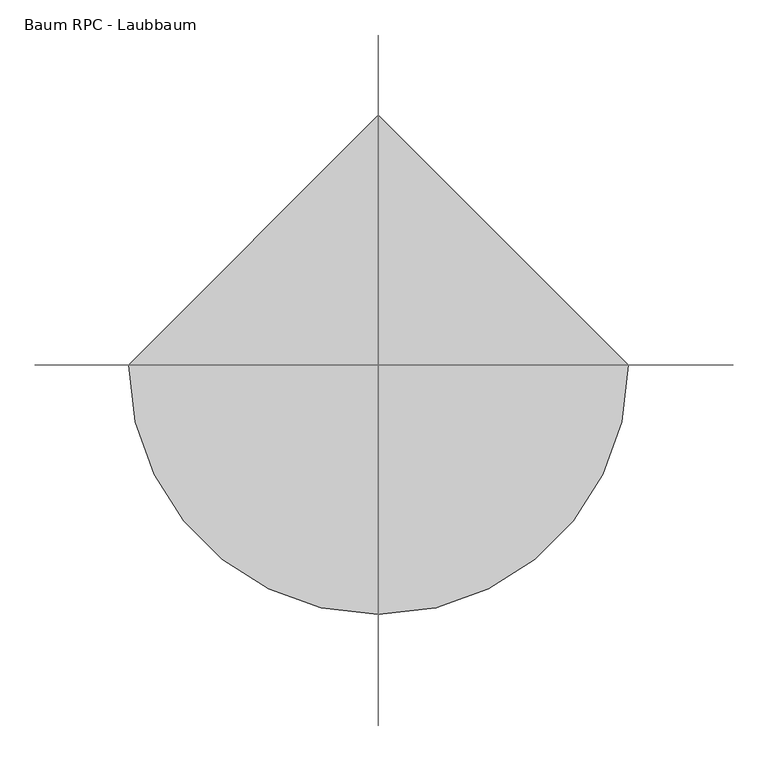
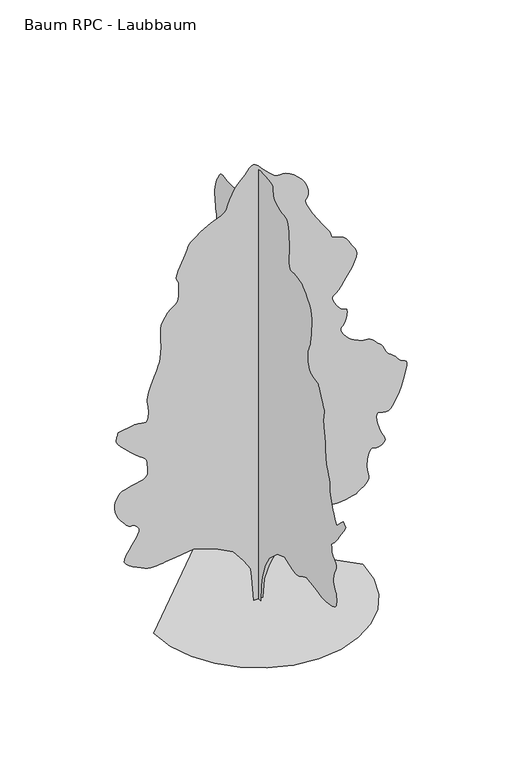
"""IFC4 building model written with IfcOpenShell, lengths in millimetres: geographic element geometry, Baum RPC - Laubbaum."""

from ifc_helpers import new_model, si_unit, origin, place, context, project, spatial, triangles, source, transform, mapped, element, save


def baum_rpc_laubbaum_e292760b(model_context):
    return source(origin(), model_context, "Body", "Tessellation", [
        triangles([(0.0009702, 113.8903775, 0.0), (0.0009702, -104.9033079, 0.0), (0.0009702, -123.1361794, 437.5878977), (0.0009702, -177.8345485, 729.312315), (0.0009702, -323.695976, 1130.4323805), (0.0009702, -506.0246724, 1440.3907139), (0.0009702, -870.6795582, 1768.5802746), (0.0009702, -1217.1031076, 1896.2099842), (0.0009702, -1399.4317314, 1823.2794067), (0.0009702, -1477.3592422, 1796.3301796), (0.0009702, -1554.013139, 1771.7701962), (0.0009702, -1628.1128311, 1751.9959671), (0.0009702, -1698.3871754, 1739.3994976), (0.0009702, -1763.5554359, 1736.3672699), (0.0009702, -1822.3466148, 1745.2987015), (0.0009702, -1873.4849178, 1768.5802746), (0.0009702, -1920.3683933, 1798.2415455), (0.0009702, -1967.2544849, 1825.0332241), (0.0009702, -2014.1379604, 1849.4331882), (0.0009702, -2061.0214359, 1871.9166996), (0.0009702, -2107.9050568, 1892.969339), (0.0009702, -2154.791003, 1913.0611359), (0.0009702, -2201.6746239, 1932.6776711), (0.0009702, -2584.5657875, 1877.9785389), (0.0009702, -2650.9541771, 1862.4566666), (0.0009702, -2717.1899597, 1847.5726913), (0.0009702, -2783.0952393, 1833.9646557), (0.0009702, -2848.5429886, 1822.2704567), (0.0009702, -2913.3300224, 1813.1255207), (0.0009702, -2977.329023, 1807.1729771), (0.0009702, -3040.387674, 1805.045636), (0.0009702, -3113.6893044, 1807.4372051), (0.0009702, -3202.6219574, 1815.2528618), (0.0009702, -3298.2393768, 1829.4456001), (0.0009702, -3391.6453033, 1850.9733559), (0.0009702, -3473.8681915, 1880.7947914), (0.0009702, -3536.0117821, 1919.8652264), (0.0009702, -3569.1298187, 1969.1428871), (0.0009702, -3581.5837097, 2022.7771133), (0.0009702, -3588.2684761, 2074.4973576), (0.0009702, -3590.1747551, 2124.6265652), (0.0009702, -3588.2684761, 2173.4773624), (0.0009702, -3583.4899887, 2221.3724041), (0.0009702, -3576.7802238, 2268.6270779), (0.0009702, -3569.1298187, 2315.5638931), (0.0009702, -3534.359848, 2355.0613369), (0.0009702, -3502.0042648, 2397.1080437), (0.0009702, -3474.4018799, 2444.2583633), (0.0009702, -3453.9923698, 2499.0617043), (0.0009702, -3443.1648331, 2564.0801193), (0.0009702, -3444.2577896, 2641.8294434), (0.0009702, -3459.736496, 2734.9307373), (0.0009702, -3486.8051926, 2827.040522), (0.0009702, -3517.6864471, 2902.5786438), (0.0009702, -3547.2968491, 2965.0274483), (0.0009702, -3570.5276985, 3017.919278), (0.0009702, -3582.270005, 3064.7620583), (0.0009702, -3577.4156502, 3109.0378441), (0.0009702, -3550.9059311, 3154.2795593), (0.0009702, -3512.094928, 3195.2003174), (0.0009702, -3474.8849899, 3227.1998177), (0.0009702, -3440.8774727, 3254.7513336), (0.0009702, -3411.622863, 3282.2775604), (0.0009702, -3388.7733856, 3314.2770607), (0.0009702, -3373.8792366, 3355.1981094), (0.0009702, -3368.5670609, 3409.5386879), (0.0009702, -3364.9071098, 3462.7866005), (0.0009702, -3357.1040977, 3500.758992), (0.0009702, -3349.9112228, 3528.1834808), (0.0009702, -3348.1575508, 3549.8638435), (0.0009702, -3356.6212784, 3570.6038567), (0.0009702, -3380.0553131, 3595.1564278), (0.0009702, -3423.2637222, 3628.3250427), (0.0009702, -3483.805957, 3682.2845398), (0.0009702, -3554.8963852, 3763.0330994), (0.0009702, -3634.7298843, 3866.097448), (0.0009702, -3721.578653, 3987.029892), (0.0009702, -3813.7140175, 4121.3568672), (0.0009702, -3909.3311462, 4264.6048096), (0.0009702, -4006.7278175, 4412.3263161), (0.0009702, -3897.3344948, 4521.744928), (0.0009702, -3751.468689, 4394.1024284), (0.0009702, -3605.6025925, 4230.012735), (0.0009702, -3582.0921089, 4261.5802849), (0.0009702, -3558.302282, 4295.0794029), (0.0009702, -3533.825869, 4332.3910789), (0.0009702, -3508.4346863, 4375.4468811), (0.0009702, -3481.7473618, 4426.1527977), (0.0009702, -3453.4586815, 4486.4412689), (0.0009702, -3423.2637222, 4558.1924126), (0.0009702, -3392.2298607, 4631.6207794), (0.0009702, -3362.4671425, 4698.9495186), (0.0009702, -3335.2458389, 4765.3631973), (0.0009702, -3311.8626732, 4835.8943573), (0.0009702, -3293.5626274, 4915.6772781), (0.0009702, -3281.6677139, 5009.820369), (0.0009702, -3277.3976257, 5123.4070404), (0.0009702, -3269.2135323, 5238.2901443), (0.0009702, -3247.6349075, 5336.8812195), (0.0009702, -3217.1347343, 5425.3060547), (0.0009702, -3182.1615784, 5509.5363785), (0.0009702, -3147.1628426, 5595.7241409), (0.0009702, -3116.6629601, 5689.8422333), (0.0009702, -3095.0843353, 5798.0408615), (0.0009702, -3081.5880661, 5895.9965103), (0.0009702, -3071.9043549, 5963.3505386), (0.0009702, -3065.4230644, 6011.8708328), (0.0009702, -3061.4834793, 6053.4014374), (0.0009702, -3059.4754623, 6099.6852402), (0.0009702, -3058.7130089, 6162.5657043), (0.0009702, -3058.6112709, 6253.8368774), (0.0009702, -3054.5702385, 6347.2939636), (0.0009702, -3044.1493629, 6416.5036926), (0.0009702, -3029.9159294, 6472.9537354), (0.0009702, -3014.3863541, 6528.1335068), (0.0009702, -3000.1532112, 6593.5300964), (0.0009702, -2989.7323357, 6680.582341), (0.0009702, -2985.6910126, 6800.8284897), (0.0009702, -2991.2572426, 6913.2716263), (0.0009702, -3003.5335281, 6981.3628189), (0.0009702, -3015.8351028, 7023.299794), (0.0009702, -3021.4013329, 7057.2564423), (0.0009702, -3013.5986115, 7101.4304901), (0.0009702, -2985.6910126, 7173.9952469), (0.0009702, -2930.9943512, 7293.1228592), (0.0009702, -2868.6219955, 7422.976561), (0.0009702, -2820.6353897, 7519.3561432), (0.0009702, -2784.5945663, 7587.8287079), (0.0009702, -2758.1107178, 7633.959613), (0.0009702, -2738.8194534, 7663.3671204), (0.0009702, -2724.3063858, 7681.5904266), (0.0009702, -2712.1827072, 7694.2483749), (0.0009702, -2638.2965195, 7706.295314), (0.0009702, -2566.4945068, 7720.4525894), (0.0009702, -2498.8204399, 7738.7270554), (0.0009702, -2437.3730278, 7763.2290482), (0.0009702, -2384.2142086, 7796.0415802), (0.0009702, -2341.425396, 7839.199411), (0.0009702, -2311.0702721, 7894.8105515), (0.0009702, -2290.8183105, 7956.2428482), (0.0009702, -2276.3080044, 8015.7938644), (0.0009702, -2266.578511, 8073.7182358), (0.0009702, -2260.6793072, 8130.3973343), (0.0009702, -2257.6495502, 8186.1107941), (0.0009702, -2256.5313046, 8241.1632477), (0.0009702, -2256.3736107, 8295.9104874), (0.0009702, -2287.4709858, 8351.2169952), (0.0009702, -2317.6099892, 8410.0058487), (0.0009702, -2345.8351559, 8475.8093903), (0.0009702, -2371.1907303, 8552.1355453), (0.0009702, -2392.7211021, 8642.5172379), (0.0009702, -2409.4655743, 8750.4106522), (0.0009702, -2420.4685364, 8879.374292), (0.0009702, -2431.6848576, 9010.8290588), (0.0009702, -2445.4530579, 9127.2882294), (0.0009702, -2455.3934395, 9233.8857925), (0.0009702, -2455.1265953, 9335.6789978), (0.0009702, -2438.2754436, 9437.7779984), (0.0009702, -2398.4602867, 9545.3156204), (0.0009702, -2329.3041882, 9663.375856), (0.0009702, -2249.3561611, 9774.6498779), (0.0009702, -2178.6572788, 9861.3457489), (0.0009702, -2113.0620094, 9927.9370331), (0.0009702, -2048.4224957, 9978.9234558), (0.0009702, -1980.5956764, 10018.7256775), (0.0009702, -1905.4310783, 10051.8434235), (0.0009702, -1818.7857857, 10082.7252594), (0.0009702, -1726.6658272, 10101.4566742), (0.0009702, -1639.9671947, 10102.9310028), (0.0009702, -1561.8796646, 10098.9917084), (0.0009702, -1495.593013, 10101.4566742), (0.0009702, -1444.2971615, 10122.0693695), (0.0009702, -1411.1794155, 10172.6744202), (0.0009702, -1399.4317314, 10265.0641296), (0.0009702, -1401.3457134, 10369.4751984), (0.0009702, -1405.8114292, 10455.052533), (0.0009702, -1410.9150421, 10532.0141144), (0.0009702, -1414.7402447, 10610.5767609), (0.0009702, -1415.3781418, 10700.9584534), (0.0009702, -1410.9150421, 10813.3260132), (0.0009702, -1399.4317314, 10957.9206757), (0.0009702, -1383.5921459, 11104.7268311), (0.0009702, -1366.4740047, 11219.3303009), (0.0009702, -1346.8067459, 11305.2390106), (0.0009702, -1323.3115231, 11365.9341431), (0.0009702, -1294.7128326, 11404.9480408), (0.0009702, -1259.7344444, 11425.7897919), (0.0009702, -1217.1031076, 11431.9661591), (0.0009702, -1156.2404709, 11437.4821014), (0.0009702, -1074.0049381, 11453.8752869), (0.0009702, -980.2913269, 11480.7666687), (0.0009702, -884.9789761, 11517.8748688), (0.0009702, -797.9626305, 11564.8440948), (0.0009702, -729.1241724, 11621.4220367), (0.0009702, -688.3534052, 11687.2249969), (0.0009702, -673.3092653, 11757.0707336), (0.0009702, -668.4724966, 11824.0433899), (0.0009702, -663.953441, 11885.2722107), (0.0009702, -649.8675276, 11937.9096954), (0.0009702, -616.3252436, 11979.0595093), (0.0009702, -553.4419453, 12005.8485718), (0.0009702, -451.3255766, 12015.4049652), (0.0009702, -328.0015635, 12019.0907867), (0.0009702, -210.419678, 12026.8937988), (0.0009702, -102.0858745, 12034.0608032), (0.0009702, -6.5099094, 12035.8141846), (0.0009702, 72.8000803, 12027.3763275), (0.0009702, 132.3357269, 12003.9417114), (0.0009702, 168.5887284, 11960.7083038), (0.0009702, 190.3829832, 11911.6031616), (0.0009702, 211.2205557, 11869.1836578), (0.0009702, 234.6091899, 11826.7629913), (0.0009702, 264.0584098, 11777.6322693), (0.0009702, 303.0754686, 11715.1325958), (0.0009702, 355.1693819, 11632.5283356), (0.0009702, 423.847639, 11523.1361755), (0.0009702, 499.9145439, 11406.6002655), (0.0009702, 572.4739231, 11305.3913269), (0.0009702, 642.4814959, 11216.9420746), (0.0009702, 710.8954159, 11138.6840607), (0.0009702, 778.6688227, 11068.1023224), (0.0009702, 846.7624861, 11002.602832), (0.0009702, 916.132089, 10939.6717896), (0.0009702, 984.3859171, 10887.6947296), (0.0009702, 1049.1322557, 10854.1956116), (0.0009702, 1111.3241718, 10835.3874573), (0.0009702, 1171.9250513, 10827.4065491), (0.0009702, 1231.8854176, 10826.440329), (0.0009702, 1292.1634243, 10828.6774017), (0.0009702, 1353.7199867, 10830.2784668), (0.0009702, 1420.0599781, 10835.869986), (0.0009702, 1491.5035824, 10848.1459808), (0.0009702, 1564.2205101, 10860.4231384), (0.0009702, 1634.3881748, 10865.9890778), (0.0009702, 1698.1762871, 10858.1860657), (0.0009702, 1751.7570282, 10830.2784668), (0.0009702, 1791.3078117, 10775.5818054), (0.0009702, 1825.3814587, 10707.9731415), (0.0009702, 1862.9624496, 10643.2119781), (0.0009702, 1900.8637699, 10577.5101746), (0.0009702, 1935.8928818, 10507.0295929), (0.0009702, 1964.8627705, 10427.9332581), (0.0009702, 1984.5861305, 10336.4086121), (0.0009702, 1991.8679535, 10228.5907745), (0.0009702, 1989.7406124, 10117.6475464), (0.0009702, 1983.7879234, 10017.5559814), (0.0009702, 1974.6456036, 9925.75112), (0.0009702, 1962.9514046, 9839.6912567), (0.0009702, 1949.3433689, 9756.8323608), (0.0009702, 1934.4593937, 9674.610054), (0.0009702, 1918.9375214, 9590.455307), (0.0009702, 1915.5875805, 9511.6130264), (0.0009702, 1932.3320526, 9444.2589981), (0.0009702, 1962.471056, 9384.2504517), (0.0009702, 1999.3099411, 9327.4190369), (0.0009702, 2036.1488262, 9269.6469818), (0.0009702, 2066.2878296, 9206.7659363), (0.0009702, 2083.0323017, 9134.6337112), (0.0009702, 2082.5544239, 9064.6106598), (0.0009702, 2068.0415016, 9007.7030869), (0.0009702, 2043.3239697, 8959.0554749), (0.0009702, 2012.2265945, 8913.9157883), (0.0009702, 1978.5801018, 8867.505249), (0.0009702, 1946.2069324, 8815.045079), (0.0009702, 1918.9375214, 8751.7320831), (0.0009702, 1903.0953197, 8679.3963821), (0.0009702, 1901.6083466, 8603.858551), (0.0009702, 1913.195866, 8526.4138596), (0.0009702, 1936.584264, 8448.3337418), (0.0009702, 1970.4976009, 8370.8640518), (0.0009702, 2013.6626987, 8295.3256393), (0.0009702, 2064.7983856, 8222.9899384), (0.0009702, 2117.5836811, 8163.4133423), (0.0009702, 2167.8170975, 8119.112558), (0.0009702, 2217.4124714, 8080.9114014), (0.0009702, 2268.2839302, 8039.4819534), (0.0009702, 2322.3450199, 7985.6497742), (0.0009702, 2381.5073971, 7910.1113617), (0.0009702, 2447.6872238, 7803.6411163), (0.0009702, 2517.1100212, 7689.1899628), (0.0009702, 2585.5825859, 7593.5731247), (0.0009702, 2654.3597832, 7513.2309357), (0.0009702, 2724.7386269, 7444.7333725), (0.0009702, 2797.9893883, 7384.4957703), (0.0009702, 2875.3829201, 7329.0619446), (0.0009702, 2958.2156548, 7274.8739731), (0.0009702, 3041.988739, 7232.046936), (0.0009702, 3121.6190529, 7206.7316208), (0.0009702, 3197.4115196, 7189.7280075), (0.0009702, 3269.6963516, 7171.7587555), (0.0009702, 3338.8043427, 7143.5971024), (0.0009702, 3405.0398346, 7095.9662888), (0.0009702, 3468.7339119, 7019.6145538), (0.0009702, 3527.5736343, 6926.1324692), (0.0009702, 3577.7967316, 6834.2258698), (0.0009702, 3617.5230858, 6745.496402), (0.0009702, 3644.7696785, 6661.5707108), (0.0009702, 3657.7066795, 6583.9992828), (0.0009702, 3654.3516518, 6514.4337616), (0.0009702, 3632.823896, 6454.3996353), (0.0009702, 3592.3603775, 6396.7293182), (0.0009702, 3536.9268425, 6334.585437), (0.0009702, 3471.6061203, 6270.2306442), (0.0009702, 3401.4816216, 6205.8502716), (0.0009702, 3331.6876259, 6143.7069717), (0.0009702, 3267.3072533, 6086.0366547), (0.0009702, 3213.4747833, 6035.0508133), (0.0009702, 3163.8615326, 5989.0210648), (0.0009702, 3111.4016533, 5943.6273239), (0.0009702, 3059.8821236, 5897.267363), (0.0009702, 3013.1663704, 5848.3656967), (0.0009702, 2975.0669518, 5795.3212601), (0.0009702, 2949.3705551, 5736.5324066), (0.0009702, 2939.966478, 5670.3986526), (0.0009702, 2936.1033417, 5601.0871857), (0.0009702, 2926.8007118, 5533.3517853), (0.0009702, 2915.5665138, 5466.6081848), (0.0009702, 2905.9589607, 5400.1436371), (0.0009702, 2901.4348183, 5333.3738754), (0.0009702, 2905.5270103, 5265.6640549), (0.0009702, 2921.742881, 5196.3531693), (0.0009702, 2946.7782715, 5129.7357239), (0.0009702, 2974.6855797, 5069.8289154), (0.0009702, 3004.9822769, 5015.5136261), (0.0009702, 3037.1852531, 4965.6463211), (0.0009702, 3070.8366875, 4919.1340439), (0.0009702, 3105.4543419, 4874.8579674), (0.0009702, 3140.5292358, 4831.7007179), (0.0009702, 3183.2289551, 4838.4869316), (0.0009702, 3224.1497131, 4839.2493851), (0.0009702, 3261.5631271, 4827.8625801), (0.0009702, 3293.7405235, 4798.3030472), (0.0009702, 3318.877652, 4744.5214462), (0.0009702, 3335.2458389, 4660.4178589), (0.0009702, 3341.091703, 4539.9685249), (0.0009702, 3341.091703, 3938.2808327), (0.0009702, 3347.8017586, 3760.1103127), (0.0009702, 3363.4330719, 3613.5070518), (0.0009702, 3381.2752968, 3494.3285706), (0.0009702, 3394.6701187, 3398.431517), (0.0009702, 3396.9066101, 3321.6734116), (0.0009702, 3381.2752968, 3259.8856133), (0.0009702, 3341.091703, 3208.9762207), (0.0009702, 3283.7263092, 3180.3314575), (0.0009702, 3223.8195007, 3176.2395561), (0.0009702, 3165.5137573, 3178.8321304), (0.0009702, 3112.95214, 3170.2666649), (0.0009702, 3070.2521301, 3132.7009346), (0.0009702, 3041.6076576, 3048.2159752), (0.0009702, 3031.1359131, 2899.0204308), (0.0009702, 3038.0494446, 2734.6002342), (0.0009702, 3055.1547958, 2610.6941345), (0.0009702, 3077.0639236, 2518.6782394), (0.0009702, 3098.3376251, 2449.9466789), (0.0009702, 3113.5366974, 2395.8855892), (0.0009702, 3117.2475174, 2347.8837227), (0.0009702, 3104.0561714, 2297.3325932), (0.0009702, 3091.0938812, 2255.6569393), (0.0009702, 3091.8307549, 2234.0756985), (0.0009702, 3095.4654167, 2223.657439), (0.0009702, 3091.0938812, 2215.4707294), (0.0009702, 3067.9139008, 2200.5867542), (0.0009702, 3015.0726494, 2170.0740818), (0.0009702, 2921.742881, 2115.0038967), (0.0009702, 2824.1938934, 2054.1920563), (0.0009702, 2755.3655365, 2010.2848526), (0.0009702, 2699.2709953, 1980.0923641), (0.0009702, 2639.9996132, 1960.4249599), (0.0009702, 2561.6145721, 1948.0928638), (0.0009702, 2448.1142326, 1939.9061543), (0.0009702, 2283.5922981, 1932.6776711), (0.0009702, 2107.2721012, 1934.962706), (0.0009702, 1964.7585617, 1953.194006), (0.0009702, 1849.6721272, 1980.9972507), (0.0009702, 1755.6381866, 2011.9851849), (0.0009702, 1676.2747169, 2039.7859589), (0.0009702, 1605.2047817, 2058.0197296), (0.0009702, 1536.0486832, 2060.3047646), (0.0009702, 1461.4686424, 2050.3642376), (0.0009702, 1379.2357258, 2036.5986534), (0.0009702, 1290.6232567, 2019.6406769), (0.0009702, 1196.9070293, 2000.1334373), (0.0009702, 1099.3656721, 1978.709745), (0.0009702, 999.2698923, 1956.0127293), (0.0009702, 897.9007891, 1932.6776711), (0.0009702, 533.2433599, 1640.9507103), (0.0009702, 314.4519545, 1166.90014), (0.0009702, 168.5887284, 601.6827144), (120.2564769, 0.0005338, 0.0085401), (-116.7693169, 0.0005338, 0.0085401), (-171.467677, 0.0004852, 656.3894405), (-207.9336742, 0.0004852, 911.6486418), (-390.2621163, 0.000461, 1203.3730591), (-663.7526539, 0.0004367, 1549.7965359), (-1137.8057676, 0.0004124, 1805.0556644), (-1721.2571457, 0.0004124, 1987.3818901), (-2195.307716, 0.0004124, 1932.6853741), (-2468.8007607, 0.0004124, 1896.220158), (-2535.4583199, 0.0004124, 1886.7041691), (-2609.1436478, 0.0004124, 1875.9122406), (-2687.9097702, 0.0004124, 1867.0367649), (-2769.8786041, 0.0004124, 1863.262286), (-2853.118, 0.0004124, 1867.7814869), (-2935.7219696, 0.0004124, 1883.781237), (-3015.7842339, 0.0004124, 1914.451458), (-3106.3182426, 0.0004124, 1956.8718338), (-3213.0937019, 0.0004124, 2005.9868591), (-3323.4017944, 0.0004124, 2061.8043823), (-3424.4581261, 0.0004124, 2124.316555), (-3503.5038826, 0.0003882, 2193.5259933), (-3547.7796684, 0.0003882, 2269.4326973), (-3544.5263786, 0.0003882, 2352.039283), (-3497.4801224, 0.0003882, 2448.838607), (-3427.1777275, 0.0003882, 2561.589283), (-3345.9972176, 0.0003639, 2681.6572449), (-3266.4177727, 0.0003639, 2800.4802246), (-3200.8682854, 0.0003639, 2909.3904373), (-3161.8029373, 0.0003397, 2999.797419), (-3161.6503304, 0.0003397, 3063.1101242), (-3185.0843651, 0.0003397, 3105.2255768), (-3208.5186905, 0.0003397, 3138.699115), (-3231.9783051, 0.0003397, 3165.0306473), (-3255.4123398, 0.0003397, 3185.5927643), (-3278.8463745, 0.0003397, 3201.8595039), (-3302.3059891, 0.0003397, 3215.2540352), (-3325.7400238, 0.0003397, 3227.2253975), (-3349.3522453, 0.0003397, 3223.6924736), (-3373.9045258, 0.0003397, 3222.5995171), (-3400.3633759, 0.0003397, 3226.2594681), (-3429.7194328, 0.0003397, 3237.112294), (-3462.8883385, 0.0003397, 3257.521804), (-3500.8351501, 0.0003397, 3289.8770966), (-3544.5263786, 0.0003397, 3336.6184296), (-3595.9950394, 0.0003397, 3397.7455124), (-3652.5471107, 0.0003154, 3470.6657707), (-3708.1585419, 0.0003154, 3553.8034286), (-3756.729705, 0.0003154, 3645.5574211), (-3792.2368401, 0.0003154, 3744.3263924), (-3808.6306068, 0.0002911, 3848.5092773), (-3799.7855072, 0.0002911, 3956.5300095), (-3773.9115051, 0.0002911, 4054.2313133), (-3742.2677971, 0.0002911, 4130.8879715), (-3703.6343994, 0.0002911, 4189.9817482), (-3656.6898811, 0.0002669, 4235.0708565), (-3600.1886787, 0.0002669, 4269.6120621), (-3532.8346504, 0.0002669, 4297.163578), (-3453.3825233, 0.0002669, 4321.1821701), (-3359.0103767, 0.0002669, 4341.1597298), (-3254.4719902, 0.0002669, 4358.2906609), (-3149.5775208, 0.0002669, 4378.5984329), (-3054.2650246, 0.0002669, 4408.1579659), (-2978.4219795, 0.0002669, 4453.018309), (-2931.9094116, 0.0002669, 4519.2540916), (-2924.6147987, 0.0002669, 4612.9143631), (-2935.5184937, 0.0002426, 4710.7174049), (-2940.34785, 0.0002426, 4788.1112274), (-2944.2365662, 0.0002426, 4849.2380196), (-2952.2680527, 0.0002426, 4898.2411331), (-2969.5260109, 0.0002426, 4939.289209), (-3001.1697189, 0.0002426, 4976.499147), (-3052.2572983, 0.0002426, 5014.0392975), (-3137.5552895, 0.0002184, 5075.3698563), (-3257.0134048, 0.0002184, 5172.1052307), (-3393.3483971, 0.0002184, 5290.5468384), (-3529.3781754, 0.0002184, 5416.9437744), (-3647.8703613, 0.0001941, 5537.6218735), (-3731.5928673, 0.0001941, 5638.8308121), (-3763.3380226, 0.0001941, 5706.8714264), (-3761.7369576, 0.0001941, 5751.0960526), (-3757.2636841, 0.0001941, 5790.5430634), (-3750.4010216, 0.0001941, 5825.9990387), (-3741.6323708, 0.0001698, 5858.2528839), (-3731.4402603, 0.0001698, 5888.1429199), (-3720.2825111, 0.0001698, 5916.4057297), (-3708.6416519, 0.0001698, 5943.906958), (-3271.0436531, 0.0001698, 6016.8269257), (-3176.2139763, 0.0001698, 6018.4285721), (-3095.0843353, 0.0001698, 6002.7969681), (-3028.0096504, 0.0001698, 5986.1997253), (-2975.270137, 0.0001698, 5984.929454), (-2937.2215874, 0.0001698, 6015.2258606), (-2914.1433449, 0.0001698, 6093.3821365), (-2906.3912018, 0.0001698, 6235.6135712), (-2912.8724922, 0.0001456, 6381.32677), (-2927.0041878, 0.0001456, 6474.7326965), (-2940.8306694, 0.0001456, 6539.4182831), (-2946.3716103, 0.0001456, 6598.9948792), (-2935.6202316, 0.0001213, 6677.0999954), (-2900.6470757, 0.0001213, 6797.269986), (-2833.4453636, 0.0001213, 6983.1673599), (-2756.1535698, 9.7e-05, 7180.2733521), (-2695.1535141, 9.7e-05, 7329.8496872), (-2648.7935532, 9.7e-05, 7449.1301971), (-2615.5232002, 7.28e-05, 7555.3463882), (-2593.7158104, 7.28e-05, 7665.7053497), (-2581.8208969, 7.28e-05, 7797.4141708), (-2578.186235, 4.85e-05, 7967.7311005), (-2581.6938698, 4.85e-05, 8141.3013199), (-2588.4036346, 4.85e-05, 8277.8644958), (-2592.5466957, 2.43e-05, 8387.3083969), (-2588.4036346, 2.43e-05, 8479.5457901), (-2570.2309067, 2.43e-05, 8564.4371201), (-2532.2710144, 2.43e-05, 8651.8701553), (-2468.8007607, 0.0, 8751.757663), (-2395.1256065, 0.0, 8844.6043213), (-2330.3792679, 0.0, 8909.7218582), (-2274.5643608, 0.0, 8955.0650208), (-2227.6808853, 0.0, 8988.6152985), (-2189.7262253, 0.0, 9018.3274384), (-2160.7029968, 0.0, 9052.1823486), (-2140.6085838, 0.0, 9098.1609375), (-2127.1072277, -2.43e-05, 9141.3437668), (-2117.4336903, -2.43e-05, 9168.8699936), (-2110.9473129, -2.43e-05, 9191.9482361), (-2107.0154308, -2.43e-05, 9221.7109543), (-2104.9947693, -2.43e-05, 9269.3417679), (-2104.2500473, -2.43e-05, 9345.9981354), (-2104.1458385, -2.43e-05, 9462.838678), (-2114.4574184, -4.85e-05, 9573.8330658), (-2137.5281033, -4.85e-05, 9640.805722), (-2161.5543983, -4.85e-05, 9686.7337326), (-2174.7354252, -4.85e-05, 9734.5680222), (-2165.2753922, -4.85e-05, 9807.2850952), (-2121.3657177, -7.28e-05, 9927.8358765), (-2031.2129356, -7.28e-05, 10119.1974518), (-1940.7398243, -7.28e-05, 10312.5926239), (-1890.135355, -9.7e-05, 10438.3535522), (-1858.9847855, -9.7e-05, 10518.2126312), (-1826.8784603, -9.7e-05, 10573.7987732), (-1773.4019279, -9.7e-05, 10626.8687897), (-1678.1453876, -9.7e-05, 10699.0527557), (-1520.6945332, -0.0001213, 10812.0551605), (-1342.5671791, -0.0001213, 10924.4727173), (-1196.3326458, -0.0001213, 10992.5894897), (-1078.165658, -0.0001213, 11034.5264648), (-984.2359989, -0.0001213, 11068.4836945), (-910.7209368, -0.0001213, 11112.6577423), (-853.7901821, -0.0001456, 11185.2219177), (-809.6161343, -0.0001456, 11304.34953), (-760.4450804, -0.0001456, 11447.9791351), (-695.3276888, -0.0001698, 11580.450119), (-620.643512, -0.0001698, 11699.5021545), (-542.7695226, -0.0001698, 11802.9470032), (-468.082766, -0.0001698, 11888.5255005), (-402.9678815, -0.0001698, 11954.0238281), (-353.7969003, -0.0001941, 11997.1816589), (-315.471151, -0.0001941, 12037.7466248), (-277.1428946, -0.0001941, 12089.4690491), (-236.5850686, -0.0001941, 12141.1914734), (-191.5607819, -0.0001941, 12181.7564392), (-139.8392296, -0.0001941, 12199.9809082), (-79.1872813, -0.0001941, 12184.7306763), (-7.3724481, -0.0001941, 12124.8238678), (68.5354242, -0.0001941, 12043.2102448), (139.978002, -0.0001941, 11969.908905), (206.9556453, -0.0001698, 11904.2582611), (269.4670731, -0.0001698, 11845.6467224), (327.5160916, -0.0001698, 11793.3906097), (381.0969054, -0.0001698, 11746.8783325), (430.2145105, -0.0001698, 11705.4750458), (477.6292399, -0.0001698, 11680.1091522), (528.236289, -0.0001698, 11674.5176331), (585.2203471, -0.0001698, 11677.2372345), (651.7712631, -0.0001698, 11676.7535431), (731.0813204, -0.0001698, 11661.6056305), (826.3377153, -0.0001698, 11620.3035004), (940.7328403, -0.0001456, 11541.3594818), (1053.7962152, -0.0001456, 11441.8539276), (1144.2183849, -0.0001456, 11345.8551361), (1213.9057011, -0.0001456, 11252.3980499), (1264.7770145, -0.0001456, 11160.5420288), (1298.7438366, -0.0001213, 11069.3220154), (1317.7198586, -0.0001213, 10977.7962067), (1323.6216785, -0.0001213, 10884.9751282), (1311.5004707, -0.0001213, 10814.3933899), (1284.7112629, -0.0001213, 10775.7085419), (1257.5994003, -0.0001213, 10747.1916779), (1244.5225822, -9.7e-05, 10707.2371399), (1259.8335663, -9.7e-05, 10634.0881165), (1317.8800232, -9.7e-05, 10506.0889526), (1433.0173267, -7.28e-05, 10301.536322), (1569.3648182, -7.28e-05, 10081.0474548), (1682.1104073, -4.85e-05, 9912.86586), (1772.2123203, -4.85e-05, 9786.7735565), (1840.6236969, -4.85e-05, 9692.579306), (1888.3053795, -4.85e-05, 9620.0657089), (1916.212833, -4.85e-05, 9559.0403641), (1925.3042839, -2.43e-05, 9499.2858719), (1944.8650085, -2.43e-05, 9450.4859436), (1996.9589218, -2.43e-05, 9421.4603897), (2071.6965111, -2.43e-05, 9400.7459564), (2159.1932053, -2.43e-05, 9376.8288116), (2249.5594917, -2.43e-05, 9338.2207031), (2332.9107994, -2.43e-05, 9273.4845383), (2399.3574703, -2.43e-05, 9171.106485), (2456.2346672, 0.0, 9061.1794739), (2512.7942963, 0.0, 8974.8393951), (2562.0212334, 0.0, 8902.2240601), (2596.892942, 0.0, 8833.4468628), (2610.3892113, 0.0, 8758.594455), (2595.4950623, 2.43e-05, 8667.8063919), (2545.2208054, 2.43e-05, 8551.1949051), (2482.9731514, 2.43e-05, 8437.658812), (2433.4843117, 2.43e-05, 8355.0295532), (2391.6486385, 2.43e-05, 8291.8944534), (2352.3646992, 4.85e-05, 8236.7152634), (2310.5314968, 4.85e-05, 8178.0281479), (2261.0426571, 4.85e-05, 8104.3454361), (2198.7948578, 4.85e-05, 8004.2038742), (2128.4161594, 4.85e-05, 7909.2218811), (2062.1829929, 7.28e-05, 7849.3150726), (2006.4749107, 7.28e-05, 7810.4529099), (1967.6687038, 7.28e-05, 7778.6060165), (1952.1468315, 7.28e-05, 7739.7438538), (1966.2887009, 7.28e-05, 7679.8370453), (2016.4686321, 7.28e-05, 7584.8550522), (2082.0105618, 7.28e-05, 7483.0612656), (2138.9412437, 9.7e-05, 7408.9971817), (2188.6943115, 9.7e-05, 7358.0880798), (2232.7108109, 9.7e-05, 7325.6563385), (2272.4166721, 9.7e-05, 7307.1022385), (2309.2555573, 9.7e-05, 7297.7993179), (2344.6583382, 9.7e-05, 7293.1228592), (2348.379332, 9.7e-05, 7265.4187363), (2350.9845509, 9.7e-05, 7235.6560181), (2351.3556038, 9.7e-05, 7201.7499481), (2348.379332, 9.7e-05, 7161.617514), (2340.9373444, 9.7e-05, 7113.1983765), (2327.913866, 0.0001213, 7054.4101044), (2308.1931221, 0.0001213, 6983.1673599), (2279.3274422, 0.0001213, 6918.9648834), (2244.722723, 0.0001213, 6875.7820541), (2212.0318405, 0.0001213, 6843.4776306), (2188.9078159, 0.0001213, 6811.7830536), (2183.0086121, 0.0001213, 6770.5315018), (2201.984634, 0.0001213, 6709.5061569), (2253.4939899, 0.0001456, 6618.5146179), (2323.6616547, 0.0001456, 6523.7872604), (2392.871093, 0.0001456, 6454.5775314), (2460.1666946, 0.0001456, 6405.1421768), (2524.592704, 0.0001456, 6369.7367798), (2585.2012138, 0.0001456, 6342.6175049), (2641.0161209, 0.0001456, 6318.0649338), (2691.0869019, 0.0001456, 6290.3096512), (2740.0394371, 0.0001456, 6267.8924149), (2792.4993164, 0.0001456, 6258.2087036), (2847.5261902, 0.0001698, 6253.9641953), (2904.1291306, 0.0001698, 6247.7878281), (2961.3927864, 0.0001698, 6232.3852798), (3018.3259392, 0.0001698, 6200.3860703), (3073.9629501, 0.0001698, 6144.4691345), (3123.5000427, 0.0001698, 6088.0696701), (3164.4460899, 0.0001698, 6052.7154327), (3199.3177986, 0.0001698, 6028.2134399), (3230.6818726, 0.0001698, 6004.3474548), (3261.0803078, 0.0001698, 5970.8989151), (3293.079808, 0.0001698, 5917.7021622), (3329.2220787, 0.0001941, 5834.5136353), (3369.5329903, 0.0001941, 5750.0798355), (3412.6902397, 0.0001941, 5692.7903091), (3459.3554146, 0.0001941, 5651.7428146), (3510.1630692, 0.0001941, 5616.1339417), (3565.774791, 0.0001941, 5575.0858658), (3626.8001358, 0.0001941, 5517.7969208), (3693.87453, 0.0002184, 5433.3881195), (3762.397673, 0.0002184, 5358.4345551), (3824.5412636, 0.0002184, 5322.6989456), (3876.1625313, 0.0002184, 5305.161644), (3913.0928352, 0.0002184, 5284.7518433), (3931.240274, 0.0002184, 5240.4254791), (3926.3859192, 0.0002184, 5151.1111633), (3894.4369972, 0.0002426, 4995.7904114), (3842.409359, 0.0002426, 4804.5811523), (3781.7398064, 0.0002669, 4624.8601456), (3715.0464935, 0.0002669, 4461.4058784), (3644.8205475, 0.0002669, 4318.9965477), (3573.6539612, 0.0002911, 4202.4356392), (3504.0631508, 0.0002911, 4116.4766418), (3438.6154015, 0.0002911, 4065.9230415), (3370.8038429, 0.0002911, 4054.7144234), (3297.8580048, 0.0002911, 4069.9643646), (3228.1148781, 0.0002911, 4091.2889351), (3169.8600037, 0.0002911, 4098.2530449), (3131.379213, 0.0002911, 4070.447184), (3120.9583374, 0.0002911, 3987.4618423), (3146.9087883, 0.0002911, 3828.8875099), (3198.9364265, 0.0003154, 3650.9204659), (3255.1327057, 0.0003154, 3516.9748627), (3306.2199944, 0.0003154, 3417.4687271), (3342.947113, 0.0003397, 3342.8200859), (3356.0620102, 0.0003397, 3283.4975441), (3336.3643753, 0.0003397, 3229.9194191), (3274.525708, 0.0003397, 3172.5031563), (3194.0056229, 0.0003397, 3136.3100166), (3123.6779388, 0.0003397, 3137.4282623), (3062.601725, 0.0003397, 3152.9069687), (3009.8113426, 0.0003397, 3159.7696312), (2964.3664421, 0.0003397, 3135.039164), (2925.3010941, 0.0003397, 3055.7902222), (2891.6496597, 0.0003639, 2899.0204308), (2877.9754944, 0.0003639, 2720.9007797), (2889.5146156, 0.0003882, 2585.811351), (2911.2458473, 0.0003882, 2483.2830162), (2928.2241714, 0.0003882, 2402.7505772), (2925.402832, 0.0003882, 2333.7011581), (2887.8115219, 0.0003882, 2265.6074947), (2800.4802246, 0.0003882, 2187.9445026), (2703.3631874, 0.0004124, 2116.5008984), (2637.5087769, 0.0004124, 2069.6174229), (2589.4965912, 0.0004124, 2040.5941944), (2545.9579697, 0.0004124, 2022.7339474), (2493.4954742, 0.0004124, 2009.3368), (2418.7045452, 0.0004124, 1993.7081028), (2308.1931221, 0.0004124, 1969.1505901), (2183.5398296, 0.0004124, 1948.1539066), (2072.2835392, 0.0004124, 1944.0592438), (1969.9562096, 0.0004124, 1951.4503624), (1872.0945957, 0.0004124, 1964.8983788), (1774.2329819, 0.0004124, 1978.9842922), (1671.9056522, 0.0004124, 1988.2867767), (1560.6495071, 0.0004124, 1987.3818901), (1455.6634735, 0.0004124, 1977.4415085), (1372.6858349, 0.0004124, 1963.675779), (1308.0463211, 0.0004124, 1946.7178024), (1258.0797489, 0.0004124, 1927.2105629), (1219.1160662, 0.0004124, 1905.7868706), (1187.4876188, 0.0004124, 1883.0898548), (1159.5268255, 0.0004124, 1859.7547966), (1159.2065689, 0.0004367, 1762.4244003), (1156.9749464, 0.0004367, 1667.1653893), (1150.9131071, 0.0004367, 1576.0569969), (1139.1146994, 0.0004367, 1491.1655216), (1119.6582561, 0.0004367, 1414.5648193), (1090.6350277, 0.000461, 1348.3316528), (1050.1285612, 0.000461, 1294.5374073), (1004.8386658, 0.000461, 1252.4372154), (962.4209061, 0.000461, 1218.9483438), (922.3922447, 0.000461, 1192.6370138), (884.2800362, 0.000461, 1172.0648684), (847.601243, 0.000461, 1155.7982014), (811.8807489, 0.000461, 1142.401054), (776.63806, 0.000461, 1130.4425543), (466.6797629, 0.000461, 1130.4425543), (284.3510483, 0.0004852, 856.9495096), (156.7227194, 0.0005095, 510.5259602), (-2767.8705872, 0.0, 0.0100928), (-2694.6959839, -634.216012, 0.0100928), (-2486.310157, -1216.6404905, 0.0100928), (-2159.3761883, -1730.5901516, 0.0100928), (-1730.5901516, -2159.3761883, 0.0100928), (-1216.6404905, -2486.310157, 0.0100928), (-634.216012, -2694.6959839, 0.0100928), (0.000121, -2767.8705872, 0.0100928), (634.216012, -2694.6959839, 0.0100928), (1216.6404905, -2486.310157, 0.0100928), (1730.5901516, -2159.3761883, 0.0100928), (2159.3761883, -1730.5901516, 0.0100928), (2486.310157, -1216.6404905, 0.0100928), (2694.6959839, -634.216012, 0.0100928), (2767.8705872, 0.0002426, 0.0100928), (-0.000363, 2767.8705872, 0.0100928)], [[1, 2, 3], [388, 1, 3], [388, 3, 4], [387, 388, 4], [387, 4, 5], [80, 81, 82], [79, 80, 82], [79, 82, 83], [78, 79, 83], [77, 78, 83], [387, 5, 6], [386, 387, 6], [76, 77, 83], [386, 6, 7], [359, 360, 361], [359, 361, 362], [385, 386, 7], [75, 76, 83], [75, 83, 84], [75, 84, 85], [74, 75, 85], [73, 74, 85], [73, 85, 86], [72, 73, 86], [72, 86, 87], [358, 359, 362], [358, 362, 363], [72, 87, 88], [131, 132, 133], [71, 72, 88], [130, 131, 133], [129, 130, 133], [71, 88, 89], [44, 45, 46], [128, 129, 133], [71, 89, 90], [207, 208, 209], [207, 209, 210], [206, 207, 210], [205, 206, 210], [205, 210, 211], [205, 211, 212], [204, 205, 212], [204, 212, 213], [203, 204, 213], [203, 213, 214], [203, 214, 215], [202, 203, 215], [202, 215, 216], [201, 202, 216], [200, 201, 216], [199, 200, 216], [198, 199, 216], [197, 198, 216], [196, 197, 216], [195, 196, 216], [194, 195, 216], [194, 216, 217], [193, 194, 217], [193, 217, 218], [193, 218, 219], [192, 193, 219], [192, 219, 220], [191, 192, 220], [191, 220, 221], [191, 221, 222], [190, 191, 222], [190, 222, 223], [128, 133, 134], [127, 128, 134], [71, 90, 91], [235, 236, 237], [234, 235, 237], [233, 234, 237], [233, 237, 238], [232, 233, 238], [232, 238, 239], [231, 232, 239], [231, 239, 240], [231, 240, 241], [231, 241, 242], [230, 231, 242], [230, 242, 243], [230, 243, 244], [230, 244, 245], [229, 230, 245], [229, 245, 246], [228, 229, 246], [228, 246, 247], [227, 228, 247], [227, 247, 248], [227, 248, 249], [226, 227, 249], [226, 249, 250], [226, 250, 251], [225, 226, 251], [225, 251, 252], [224, 225, 252], [71, 91, 92], [189, 190, 223], [330, 331, 332], [330, 332, 333], [329, 330, 333], [329, 333, 334], [328, 329, 334], [328, 334, 335], [328, 335, 336], [327, 328, 336], [385, 7, 8], [342, 343, 344], [341, 342, 344], [341, 344, 345], [340, 341, 345], [340, 345, 346], [339, 340, 346], [339, 346, 347], [338, 339, 347], [337, 338, 347], [337, 347, 348], [336, 337, 348], [327, 336, 348], [326, 327, 348], [325, 326, 348], [324, 325, 348], [323, 324, 348], [126, 127, 134], [126, 134, 135], [357, 358, 363], [357, 363, 364], [356, 357, 364], [355, 356, 364], [354, 355, 364], [353, 354, 364], [353, 364, 365], [352, 353, 365], [352, 365, 366], [352, 366, 367], [352, 367, 368], [352, 368, 369], [352, 369, 370], [351, 352, 370], [351, 370, 371], [351, 371, 372], [350, 351, 372], [350, 372, 373], [350, 373, 374], [350, 374, 375], [350, 375, 376], [349, 350, 376], [349, 376, 377], [348, 349, 377], [323, 348, 377], [323, 377, 378], [323, 378, 379], [323, 379, 380], [322, 323, 380], [322, 380, 381], [322, 381, 382], [321, 322, 382], [321, 382, 383], [321, 383, 384], [321, 384, 385], [321, 385, 8], [320, 321, 8], [319, 320, 8], [318, 319, 8], [317, 318, 8], [316, 317, 8], [315, 316, 8], [314, 315, 8], [313, 314, 8], [57, 58, 59], [56, 57, 59], [56, 59, 60], [55, 56, 60], [55, 60, 61], [54, 55, 61], [54, 61, 62], [53, 54, 62], [53, 62, 63], [53, 63, 64], [52, 53, 64], [36, 37, 38], [36, 38, 39], [35, 36, 39], [35, 39, 40], [35, 40, 41], [34, 35, 41], [34, 41, 42], [34, 42, 43], [33, 34, 43], [33, 43, 44], [33, 44, 46], [33, 46, 47], [32, 33, 47], [32, 47, 48], [31, 32, 48], [30, 31, 48], [30, 48, 49], [29, 30, 49], [28, 29, 49], [27, 28, 49], [26, 27, 49], [26, 49, 50], [25, 26, 50], [24, 25, 50], [24, 50, 51], [23, 24, 51], [23, 51, 52], [23, 52, 64], [23, 64, 65], [23, 65, 66], [23, 66, 67], [23, 67, 68], [23, 68, 69], [23, 69, 70], [22, 23, 70], [21, 22, 70], [20, 21, 70], [19, 20, 70], [18, 19, 70], [125, 126, 135], [125, 135, 136], [189, 223, 224], [189, 224, 252], [189, 252, 253], [188, 189, 253], [187, 188, 253], [186, 187, 253], [185, 186, 253], [184, 185, 253], [183, 184, 253], [182, 183, 253], [181, 182, 253], [180, 181, 253], [179, 180, 253], [178, 179, 253], [177, 178, 253], [176, 177, 253], [175, 176, 253], [174, 175, 253], [173, 174, 253], [172, 173, 253], [172, 253, 254], [172, 254, 255], [172, 255, 256], [172, 256, 257], [172, 257, 258], [172, 258, 259], [172, 259, 260], [172, 260, 261], [172, 261, 262], [172, 262, 263], [172, 263, 264], [172, 264, 265], [172, 265, 266], [172, 266, 267], [172, 267, 268], [172, 268, 269], [171, 172, 269], [171, 269, 270], [171, 270, 271], [170, 171, 271], [170, 271, 272], [169, 170, 272], [168, 169, 272], [167, 168, 272], [166, 167, 272], [165, 166, 272], [164, 165, 272], [163, 164, 272], [162, 163, 272], [161, 162, 272], [160, 161, 272], [159, 160, 272], [158, 159, 272], [157, 158, 272], [156, 157, 272], [155, 156, 272], [154, 155, 272], [153, 154, 272], [152, 153, 272], [151, 152, 272], [150, 151, 272], [149, 150, 272], [148, 149, 272], [147, 148, 272], [146, 147, 272], [145, 146, 272], [144, 145, 272], [143, 144, 272], [142, 143, 272], [141, 142, 272], [140, 141, 272], [139, 140, 272], [138, 139, 272], [138, 272, 273], [138, 273, 274], [137, 138, 274], [137, 274, 275], [137, 275, 276], [137, 276, 277], [137, 277, 278], [137, 278, 279], [137, 279, 280], [137, 280, 281], [137, 281, 282], [137, 282, 283], [136, 137, 283], [125, 136, 283], [124, 125, 283], [123, 124, 283], [122, 123, 283], [121, 122, 283], [120, 121, 283], [119, 120, 283], [118, 119, 283], [117, 118, 283], [116, 117, 283], [115, 116, 283], [114, 115, 283], [113, 114, 283], [112, 113, 283], [111, 112, 283], [110, 111, 283], [109, 110, 283], [108, 109, 283], [107, 108, 283], [106, 107, 283], [105, 106, 283], [104, 105, 283], [103, 104, 283], [103, 283, 284], [102, 103, 284], [102, 284, 285], [101, 102, 285], [100, 101, 285], [99, 100, 285], [98, 99, 285], [97, 98, 285], [96, 97, 285], [95, 96, 285], [94, 95, 285], [94, 285, 286], [93, 94, 286], [93, 286, 287], [92, 93, 287], [71, 92, 287], [70, 71, 287], [18, 70, 287], [17, 18, 287], [16, 17, 287], [15, 16, 287], [14, 15, 287], [13, 14, 287], [12, 13, 287], [11, 12, 287], [10, 11, 287], [9, 10, 287], [8, 9, 287], [313, 8, 287], [312, 313, 287], [311, 312, 287], [310, 311, 287], [309, 310, 287], [308, 309, 287], [307, 308, 287], [306, 307, 287], [305, 306, 287], [305, 287, 288], [304, 305, 288], [304, 288, 289], [303, 304, 289], [303, 289, 290], [303, 290, 291], [303, 291, 292], [303, 292, 293], [303, 293, 294], [303, 294, 295], [302, 303, 295], [302, 295, 296], [302, 296, 297], [301, 302, 297], [301, 297, 298], [300, 301, 298], [300, 298, 299], [745, 389, 390], [745, 390, 391], [744, 745, 391], [744, 391, 392], [622, 623, 624], [743, 744, 392], [743, 392, 393], [474, 475, 476], [473, 474, 476], [472, 473, 476], [471, 472, 476], [470, 471, 476], [469, 470, 476], [468, 469, 476], [467, 468, 476], [466, 467, 476], [465, 466, 476], [464, 465, 476], [464, 476, 477], [464, 477, 478], [464, 478, 479], [463, 464, 479], [463, 479, 480], [462, 463, 480], [461, 462, 480], [460, 461, 480], [460, 480, 481], [743, 393, 394], [622, 624, 625], [459, 460, 481], [621, 622, 625], [621, 625, 626], [621, 626, 627], [668, 669, 670], [668, 670, 671], [667, 668, 671], [667, 671, 672], [666, 667, 672], [620, 621, 627], [620, 627, 628], [620, 628, 629], [666, 672, 673], [620, 629, 630], [619, 620, 630], [619, 630, 631], [619, 631, 632], [619, 632, 633], [618, 619, 633], [618, 633, 634], [665, 666, 673], [550, 551, 552], [550, 552, 553], [549, 550, 553], [548, 549, 553], [548, 553, 554], [547, 548, 554], [547, 554, 555], [546, 547, 555], [545, 546, 555], [545, 555, 556], [544, 545, 556], [543, 544, 556], [543, 556, 557], [542, 543, 557], [542, 557, 558], [541, 542, 558], [541, 558, 559], [540, 541, 559], [539, 540, 559], [539, 559, 560], [538, 539, 560], [538, 560, 561], [617, 618, 634], [690, 691, 692], [690, 692, 693], [689, 690, 693], [689, 693, 694], [689, 694, 695], [689, 695, 696], [688, 689, 696], [688, 696, 697], [687, 688, 697], [687, 697, 698], [686, 687, 698], [410, 411, 412], [410, 412, 413], [409, 410, 413], [408, 409, 413], [408, 413, 414], [407, 408, 414], [407, 414, 415], [406, 407, 415], [406, 415, 416], [405, 406, 416], [404, 405, 416], [403, 404, 416], [402, 403, 416], [401, 402, 416], [400, 401, 416], [400, 416, 417], [399, 400, 417], [398, 399, 417], [397, 398, 417], [397, 417, 418], [396, 397, 418], [396, 418, 419], [665, 673, 674], [664, 665, 674], [663, 664, 674], [662, 663, 674], [661, 662, 674], [661, 674, 675], [661, 675, 676], [660, 661, 676], [660, 676, 677], [660, 677, 678], [660, 678, 679], [660, 679, 680], [660, 680, 681], [660, 681, 682], [660, 682, 683], [659, 660, 683], [659, 683, 684], [658, 659, 684], [537, 538, 561], [657, 658, 684], [656, 657, 684], [655, 656, 684], [654, 655, 684], [653, 654, 684], [652, 653, 684], [651, 652, 684], [650, 651, 684], [649, 650, 684], [648, 649, 684], [647, 648, 684], [646, 647, 684], [645, 646, 684], [644, 645, 684], [643, 644, 684], [642, 643, 684], [641, 642, 684], [640, 641, 684], [639, 640, 684], [537, 561, 562], [638, 639, 684], [704, 705, 706], [704, 706, 707], [703, 704, 707], [703, 707, 708], [702, 703, 708], [702, 708, 709], [702, 709, 710], [702, 710, 711], [702, 711, 712], [702, 712, 713], [701, 702, 713], [701, 713, 714], [701, 714, 715], [701, 715, 716], [701, 716, 717], [701, 717, 718], [700, 701, 718], [700, 718, 719], [700, 719, 720], [699, 700, 720], [699, 720, 721], [699, 721, 722], [698, 699, 722], [686, 698, 722], [685, 686, 722], [685, 722, 723], [685, 723, 724], [684, 685, 724], [638, 684, 724], [638, 724, 725], [637, 638, 725], [637, 725, 726], [637, 726, 727], [636, 637, 727], [636, 727, 728], [635, 636, 728], [574, 575, 576], [458, 459, 481], [396, 419, 420], [574, 576, 577], [573, 574, 577], [572, 573, 577], [571, 572, 577], [570, 571, 577], [569, 570, 577], [568, 569, 577], [568, 577, 578], [567, 568, 578], [566, 567, 578], [565, 566, 578], [564, 565, 578], [563, 564, 578], [562, 563, 578], [537, 562, 578], [537, 578, 579], [537, 579, 580], [536, 537, 580], [536, 580, 581], [536, 581, 582], [535, 536, 582], [534, 535, 582], [533, 534, 582], [532, 533, 582], [531, 532, 582], [530, 531, 582], [529, 530, 582], [528, 529, 582], [527, 528, 582], [526, 527, 582], [525, 526, 582], [524, 525, 582], [523, 524, 582], [522, 523, 582], [521, 522, 582], [520, 521, 582], [519, 520, 582], [518, 519, 582], [517, 518, 582], [516, 517, 582], [515, 516, 582], [515, 582, 583], [514, 515, 583], [514, 583, 584], [513, 514, 584], [513, 584, 585], [513, 585, 586], [513, 586, 587], [513, 587, 588], [513, 588, 589], [512, 513, 589], [511, 512, 589], [510, 511, 589], [509, 510, 589], [509, 589, 590], [508, 509, 590], [507, 508, 590], [506, 507, 590], [505, 506, 590], [504, 505, 590], [503, 504, 590], [502, 503, 590], [501, 502, 590], [500, 501, 590], [499, 500, 590], [498, 499, 590], [497, 498, 590], [496, 497, 590], [495, 496, 590], [494, 495, 590], [493, 494, 590], [492, 493, 590], [491, 492, 590], [490, 491, 590], [489, 490, 590], [488, 489, 590], [487, 488, 590], [486, 487, 590], [485, 486, 590], [484, 485, 590], [483, 484, 590], [482, 483, 590], [482, 590, 591], [482, 591, 592], [482, 592, 593], [482, 593, 594], [482, 594, 595], [482, 595, 596], [482, 596, 597], [482, 597, 598], [482, 598, 599], [482, 599, 600], [482, 600, 601], [482, 601, 602], [482, 602, 603], [482, 603, 604], [482, 604, 605], [482, 605, 606], [482, 606, 607], [482, 607, 608], [482, 608, 609], [482, 609, 610], [482, 610, 611], [482, 611, 612], [482, 612, 613], [482, 613, 614], [482, 614, 615], [482, 615, 616], [482, 616, 617], [482, 617, 634], [482, 634, 635], [482, 635, 728], [481, 482, 728], [458, 481, 728], [457, 458, 728], [456, 457, 728], [455, 456, 728], [454, 455, 728], [453, 454, 728], [452, 453, 728], [451, 452, 728], [451, 728, 729], [451, 729, 730], [451, 730, 731], [451, 731, 732], [451, 732, 733], [451, 733, 734], [451, 734, 735], [451, 735, 736], [451, 736, 737], [451, 737, 738], [451, 738, 739], [451, 739, 740], [451, 740, 741], [451, 741, 742], [451, 742, 743], [451, 743, 394], [451, 394, 395], [451, 395, 396], [451, 396, 420], [451, 420, 421], [451, 421, 422], [451, 422, 423], [450, 451, 423], [450, 423, 424], [450, 424, 425], [450, 425, 426], [449, 450, 426], [448, 449, 426], [447, 448, 426], [446, 447, 426], [445, 446, 426], [444, 445, 426], [443, 444, 426], [442, 443, 426], [441, 442, 426], [440, 441, 426], [439, 440, 426], [438, 439, 426], [437, 438, 426], [436, 437, 426], [435, 436, 426], [434, 435, 426], [433, 434, 426], [432, 433, 426], [431, 432, 426], [430, 431, 426], [430, 426, 427], [429, 430, 427], [428, 429, 427], [760, 761, 746], [759, 760, 746], [759, 746, 747], [758, 759, 747], [758, 747, 748], [758, 748, 749], [757, 758, 749], [756, 757, 749], [756, 749, 750], [756, 750, 751], [756, 751, 752], [756, 752, 753], [756, 753, 754], [756, 754, 755]], closed=False),
    ])


if __name__ == "__main__":
    model = new_model("IFC4")
    model_context = context("Model", 3, world=origin())
    ifc_project = project(units=[si_unit("LENGTHUNIT", "METRE", prefix="MILLI")], contexts=[model_context])
    site = spatial("IfcSite", under=ifc_project)
    building = spatial("IfcBuilding", under=site)
    placement = place(None, origin())
    baum_rpc_laubbaum_shape = baum_rpc_laubbaum_e292760b(model_context)
    element("IfcGeographicElement", 1, ObjectType="Baum RPC - Laubbaum", at=placement, inside=building, context=model_context, shape_type="MappedRepresentation", body=[
        mapped(baum_rpc_laubbaum_shape, transform((0.0, 0.0, 0.0), x_axis=(1.0, 0.0, 0.0), y_axis=(0.0, 1.0, 0.0), z_axis=(0.0, 0.0, 1.0))),
    ])
    save(model, "model.ifc")
